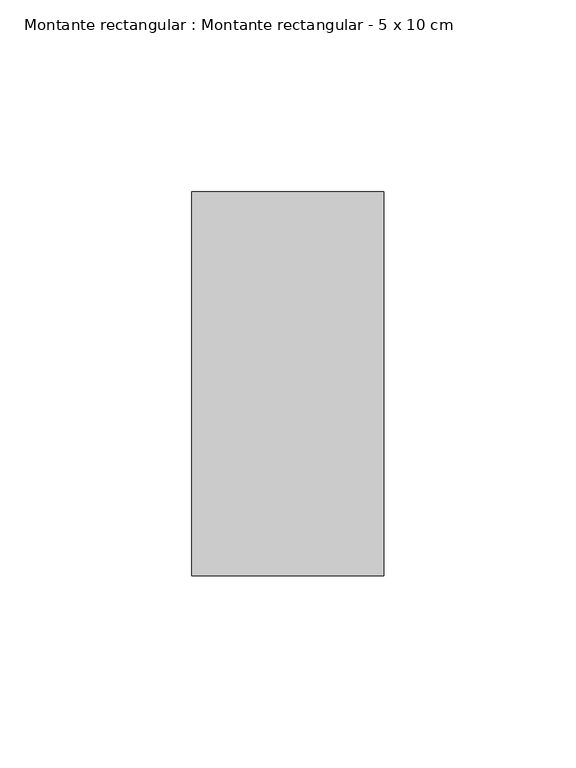
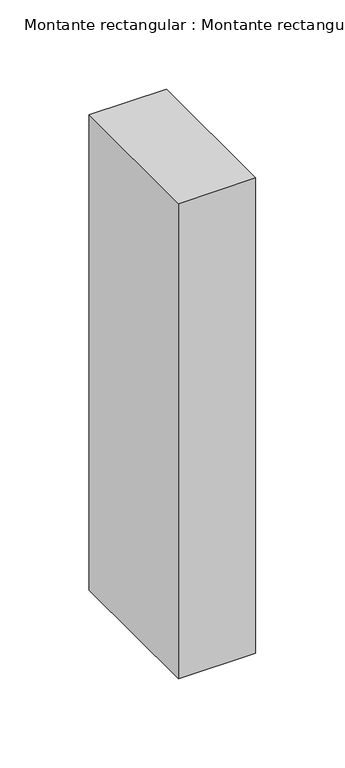
"""IFC4 building model written with IfcOpenShell, lengths in millimetres: member geometry, Montante rectangular : Montante rectangular - 5 x 10 cm."""

from ifc_helpers import new_model, si_unit, frame, origin, place, context, project, spatial, polyline, outline, extrude, source, transform, mapped, element, save


def montante_rectangular_montante_rectangular_5_x_10_cm_610dfbb2(model_context):
    return source(origin(), model_context, "Body", "SweptSolid", [
        extrude(outline(polyline([(-50.0, 50.0), (0.0, 50.0), (0.0, -50.0), (-50.0, -50.0), (-50.0, 50.0)])), frame((0.0, 0.0, -325.0), z_axis=(0.0, 0.0, 1.0), x_axis=(1.0, 0.0, 0.0)), (0.0, 0.0, 1.0), 325.0),
    ])


if __name__ == "__main__":
    model = new_model("IFC4")
    model_context = context("Model", 3, world=origin())
    ifc_project = project(units=[si_unit("LENGTHUNIT", "METRE", prefix="MILLI")], contexts=[model_context])
    site = spatial("IfcSite", under=ifc_project)
    building = spatial("IfcBuilding", under=site)
    placement = place(None, origin())
    montante_rectangular_montante_rectangular_5_x_10_cm_shape = montante_rectangular_montante_rectangular_5_x_10_cm_610dfbb2(model_context)
    element("IfcMember", 1, ObjectType="Montante rectangular : Montante rectangular - 5 x 10 cm", at=placement, inside=building, context=model_context, shape_type="MappedRepresentation", body=[
        mapped(montante_rectangular_montante_rectangular_5_x_10_cm_shape, transform((0.0, 0.0, 0.0), x_axis=(1.0, 0.0, 0.0), y_axis=(0.0, 1.0, 0.0), z_axis=(0.0, 0.0, 1.0))),
    ])
    save(model, "model.ifc")
